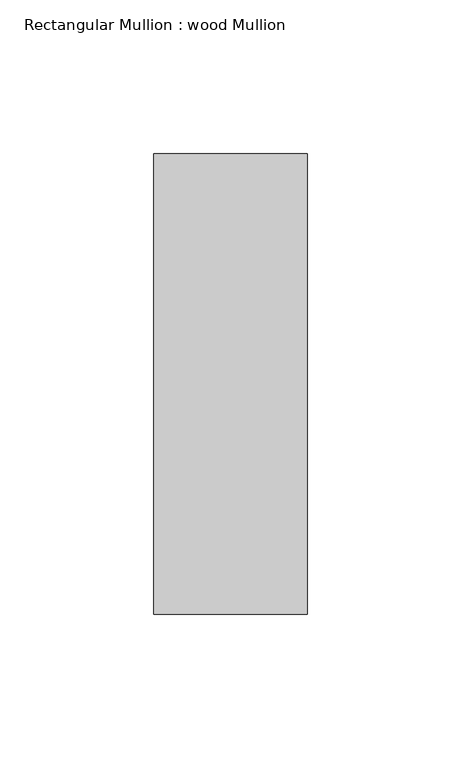
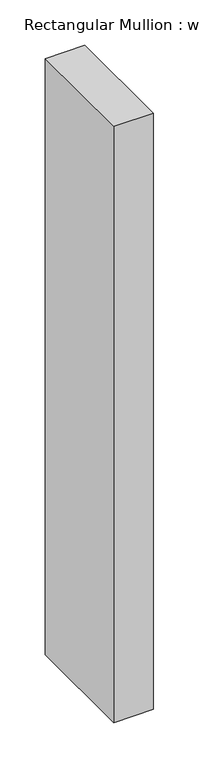
"""IFC4 building model written with IfcOpenShell, lengths in millimetres: member geometry, Rectangular Mullion : wood Mullion."""

from ifc_helpers import new_model, si_unit, frame, origin, place, context, project, spatial, polyline, outline, extrude, source, transform, mapped, element, save


def rectangular_mullion_wood_mullion_14f10ac7(model_context):
    return source(origin(), model_context, "Body", "SweptSolid", [
        extrude(outline(polyline([(25.0, 75.0), (25.0, -75.0), (-25.0, -75.0), (-25.0, 75.0), (25.0, 75.0)])), frame((0.0, 0.0, -800.0), z_axis=(0.0, 0.0, 1.0), x_axis=(1.0, 0.0, 0.0)), (0.0, 0.0, 1.0), 800.0),
    ])


if __name__ == "__main__":
    model = new_model("IFC4")
    model_context = context("Model", 3, world=origin())
    ifc_project = project(units=[si_unit("LENGTHUNIT", "METRE", prefix="MILLI")], contexts=[model_context])
    site = spatial("IfcSite", under=ifc_project)
    building = spatial("IfcBuilding", under=site)
    placement = place(None, origin())
    rectangular_mullion_wood_mullion_shape = rectangular_mullion_wood_mullion_14f10ac7(model_context)
    element("IfcMember", 1, ObjectType="Rectangular Mullion : wood Mullion", at=placement, inside=building, context=model_context, shape_type="MappedRepresentation", body=[
        mapped(rectangular_mullion_wood_mullion_shape, transform((0.0, 0.0, 0.0), x_axis=(1.0, 0.0, 0.0), y_axis=(0.0, 1.0, 0.0), z_axis=(0.0, 0.0, 1.0))),
    ])
    save(model, "model.ifc")
